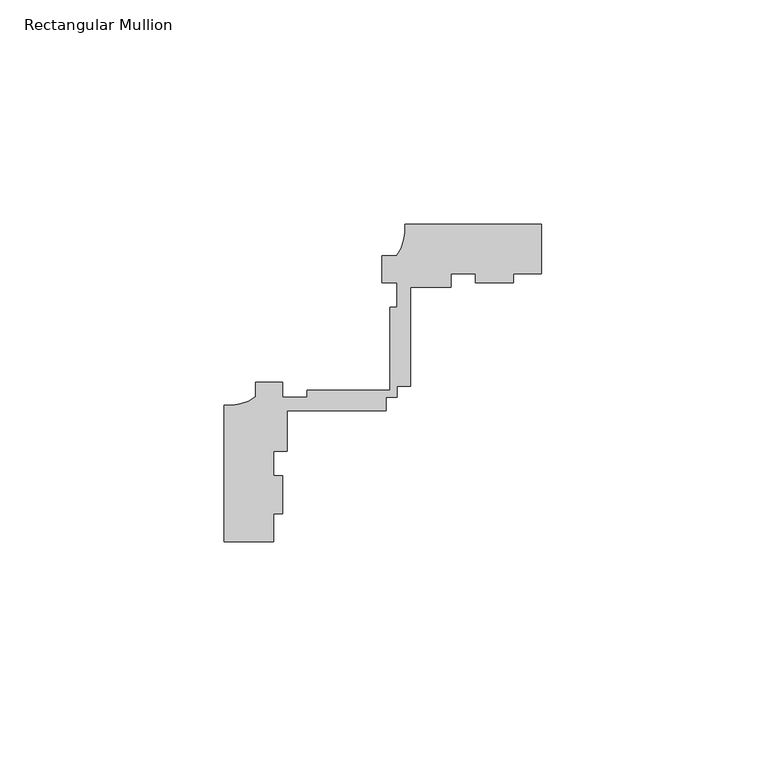
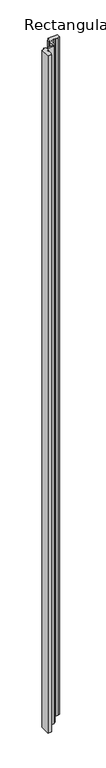
"""IFC4 building model written with IfcOpenShell, lengths in millimetres: member geometry, Rectangular Mullion."""

from ifc_helpers import new_model, si_unit, point, frame, frame_2d, origin, place, context, project, spatial, polyline, circle_curve, trimmed, segment, composite_curve, outline, extrude, source, transform, mapped, element, save


def rectangular_mullion_330c395a(model_context):
    return source(origin(), model_context, "Body", "SweptSolid", [
        extrude(outline(composite_curve([segment(polyline([(-59.6999694, -14.9961656), (-70.6999537, -14.9961656), (-70.6999537, 15.3835857)]), True, "CONTINUOUS"), segment(trimmed(circle_curve(frame_2d((-69.8097713, 25.8020156)), 10.4563907), [point((-70.6999537, 15.3835857))], [point((-63.6999537, 17.3163669))], True, "CARTESIAN"), True, "CONTINUOUS"), segment(polyline([(-63.6999537, 17.3163669), (-63.6999537, 20.5038344), (-57.699937, 20.5038344), (-57.699937, 17.2186203), (-52.2108408, 17.2186203), (-52.2108408, 18.8186203), (-33.8147859, 18.8186203), (-33.8147859, 37.2186203), (-32.2147859, 37.2186203), (-32.2147859, 42.703773), (-35.5, 42.703773), (-35.5, 48.7038038), (-32.3125212, 48.7038038)]), True, "CONTINUOUS"), segment(trimmed(circle_curve(frame_2d((-40.7981812, 54.8136057)), 10.4563907), [point((-32.3125212, 48.7038038))], [point((-30.3797514, 55.703788))], True, "CARTESIAN"), True, "CONTINUOUS"), segment(polyline([(-30.3797514, 55.703788), (0.0, 55.703788), (0.0, 44.7038038), (-6.2499874, 44.7038038), (-6.2499874, 42.703773), (-14.7499877, 42.703773), (-14.7499877, 44.7038038), (-20.2147859, 44.7038038), (-20.2147859, 41.6998587), (-29.2147859, 41.6998587), (-29.2147859, 19.6998587), (-32.2147859, 19.6998587), (-32.2147859, 17.2186203), (-34.6960243, 17.2186203), (-34.6960243, 14.2186203), (-56.6960243, 14.2186203), (-56.6960243, 5.2186203), (-59.6999694, 5.2186203), (-59.6999694, -0.246178), (-57.699937, -0.246178), (-57.699937, -8.7363231), (-59.6999694, -8.7363231), (-59.6999694, -14.9961656)]), True, "CONTINUOUS")], self_intersect=False)), frame((0.0, 0.0, -2200.0), z_axis=(0.0, 0.0, 1.0), x_axis=(1.0, 0.0, 0.0)), (0.0, 0.0, 1.0), 2200.0),
    ])


if __name__ == "__main__":
    model = new_model("IFC4")
    model_context = context("Model", 3, world=origin())
    ifc_project = project(units=[si_unit("LENGTHUNIT", "METRE", prefix="MILLI")], contexts=[model_context])
    site = spatial("IfcSite", under=ifc_project)
    building = spatial("IfcBuilding", under=site)
    placement = place(None, origin())
    rectangular_mullion_shape = rectangular_mullion_330c395a(model_context)
    element("IfcMember", 1, ObjectType="Rectangular Mullion", at=placement, inside=building, context=model_context, shape_type="MappedRepresentation", body=[
        mapped(rectangular_mullion_shape, transform((0.0, 0.0, 0.0), x_axis=(1.0, 0.0, 0.0), y_axis=(0.0, 1.0, 0.0), z_axis=(0.0, 0.0, 1.0))),
    ])
    save(model, "model.ifc")
